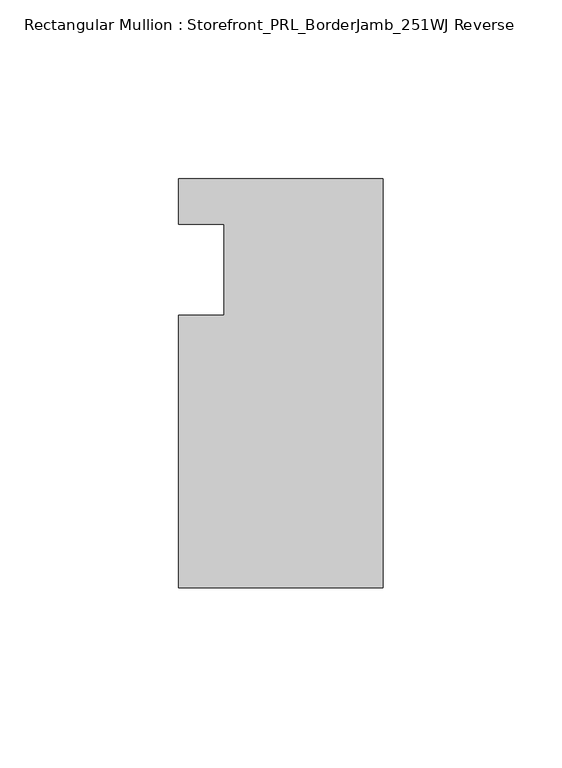
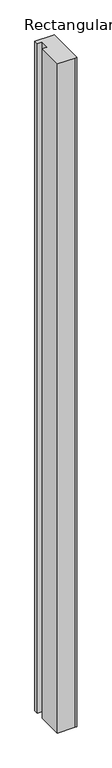
"""IFC4 building model written with IfcOpenShell, lengths in millimetres: member geometry, Rectangular Mullion : Storefront_PRL_BorderJamb_251WJ Reverse."""

from ifc_helpers import new_model, si_unit, frame, origin, place, context, project, spatial, polyline, outline, extrude, source, transform, mapped, element, save


def rectangular_mullion_storefront_prl_borderjamb_251wj_reverse_d4fc7456(model_context):
    return source(origin(), model_context, "Body", "SweptSolid", [
        extrude(outline(polyline([(-44.45, -12.7), (-44.45, 12.7), (-57.15, 12.7), (-57.15, 25.4), (-7.3958824, 25.4), (0.0, 25.4), (0.0, -88.9), (-6.35, -88.9), (-57.15, -88.9), (-57.15, -12.7), (-44.45, -12.7)])), frame((0.0, 0.0, -2072.48125), z_axis=(0.0, 0.0, 1.0), x_axis=(1.0, 0.0, 0.0)), (0.0, 0.0, 1.0), 2072.48125),
    ])


if __name__ == "__main__":
    model = new_model("IFC4")
    model_context = context("Model", 3, world=origin())
    ifc_project = project(units=[si_unit("LENGTHUNIT", "METRE", prefix="MILLI")], contexts=[model_context])
    site = spatial("IfcSite", under=ifc_project)
    building = spatial("IfcBuilding", under=site)
    placement = place(None, origin())
    rectangular_mullion_storefront_prl_borderjamb_251wj_reverse_shape = rectangular_mullion_storefront_prl_borderjamb_251wj_reverse_d4fc7456(model_context)
    element("IfcMember", 1, ObjectType="Rectangular Mullion : Storefront_PRL_BorderJamb_251WJ Reverse", at=placement, inside=building, context=model_context, shape_type="MappedRepresentation", body=[
        mapped(rectangular_mullion_storefront_prl_borderjamb_251wj_reverse_shape, transform((0.0, 0.0, 0.0), x_axis=(1.0, 0.0, 0.0), y_axis=(0.0, 1.0, 0.0), z_axis=(0.0, 0.0, 1.0))),
    ])
    save(model, "model.ifc")
